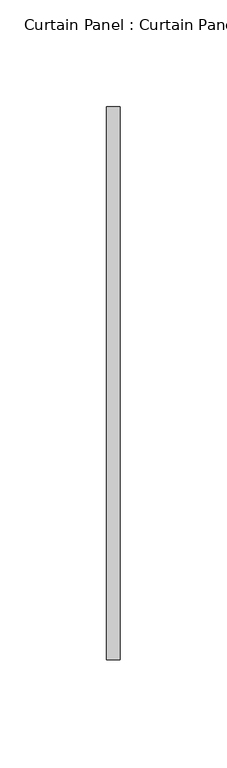
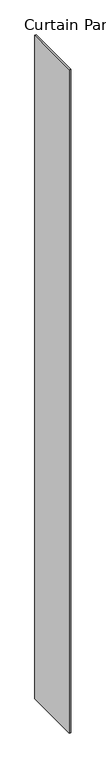
"""IFC4 building model written with IfcOpenShell, lengths in millimetres: plate geometry, Curtain Panel : Curtain Panel."""

from ifc_helpers import new_model, si_unit, origin, origin_with_axes, place, context, project, spatial, polyline, outline, extrude, source, transform, mapped, element, save


def curtain_panel_curtain_panel_b1c57012(model_context):
    return source(origin(), model_context, "Body", "SweptSolid", [
        extrude(outline(polyline([(-152989.5912061, 8385.4390801), (-152989.5912061, 8126.6765801), (-152995.9412061, 8126.6765801), (-152995.9412061, 8385.4390801), (-152989.5912061, 8385.4390801)])), origin_with_axes(), (0.0, 0.0, 1.0), 3048.0),
    ])


if __name__ == "__main__":
    model = new_model("IFC4")
    model_context = context("Model", 3, world=origin())
    ifc_project = project(units=[si_unit("LENGTHUNIT", "METRE", prefix="MILLI")], contexts=[model_context])
    site = spatial("IfcSite", under=ifc_project)
    building = spatial("IfcBuilding", under=site)
    placement = place(None, origin())
    curtain_panel_curtain_panel_shape = curtain_panel_curtain_panel_b1c57012(model_context)
    element("IfcPlate", 1, ObjectType="Curtain Panel : Curtain Panel", at=placement, inside=building, context=model_context, shape_type="MappedRepresentation", body=[
        mapped(curtain_panel_curtain_panel_shape, transform((0.0, 0.0, 0.0), x_axis=(1.0, 0.0, 0.0), y_axis=(0.0, 1.0, 0.0), z_axis=(0.0, 0.0, 1.0))),
    ])
    save(model, "model.ifc")
